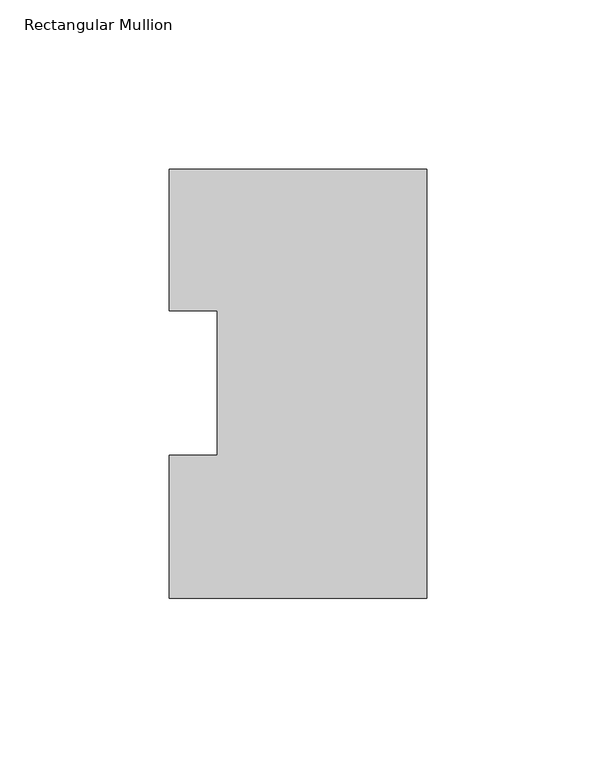
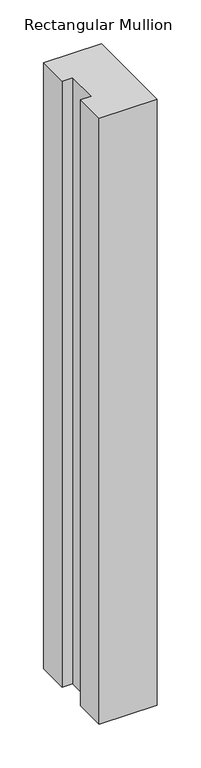
"""IFC4 building model written with IfcOpenShell, lengths in millimetres: member geometry, Rectangular Mullion."""

import ifcopenshell
import ifcopenshell.guid

model = None  # the IFC model being written
_history = None  # IfcOwnerHistory: only IFC2X3 demands one
_inside = {}  # id of a spatial element -> (the spatial element, [elements in it])
_under = {}  # id of a project, library or spatial element -> (it, [spatial elements below it])
_declared = {}  # id of a project -> (the project, [libraries it declares])
_typed = {}  # id of a type object -> (the type object, [elements of that type])
_made_of = {}  # id of a material, layer set ... -> (it, [elements and type objects made of it])


def new_model(schema):
    """Start an empty IFC model of exactly this schema.

    Asked for "IFC4X3", IfcOpenShell would pick the latest addendum, in which some entities
    have other attributes; the version numbers below select the first issue.
    IFC2X3 requires an IfcOwnerHistory on every rooted entity: one is made here for all.
    """
    global model, _history
    if schema == "IFC4X3":
        model = ifcopenshell.file(schema_version=(4, 3, 0, 0))
    else:
        model = ifcopenshell.file(schema=schema)
    _inside.clear()
    _under.clear()
    _declared.clear()
    _typed.clear()
    _made_of.clear()
    _history = None
    if model.schema == "IFC2X3":
        org = make("IfcOrganization", Name="unknown")
        user = make(
            "IfcPersonAndOrganization",
            ThePerson=make("IfcPerson", FamilyName="unknown"),
            TheOrganization=org,
        )
        app = make(
            "IfcApplication",
            ApplicationDeveloper=org,
            Version="unknown",
            ApplicationFullName="unknown",
            ApplicationIdentifier="unknown",
        )
        _history = make(
            "IfcOwnerHistory",
            OwningUser=user,
            OwningApplication=app,
            ChangeAction="ADDED",
            CreationDate=0,
        )
    return model


def make(cls, **values):
    """One entity of the class cls with the attributes given. An attribute that is None is left unset."""
    return model.create_entity(
        cls, **{name: value for name, value in values.items() if value is not None}
    )


def rooted(cls, **values):
    """An entity with a GlobalId (a new one), such as an element, a storey or a relation."""
    return make(cls, GlobalId=ifcopenshell.guid.new(), OwnerHistory=_history, **values)


def si_unit(unit_type, name, prefix=None):
    """IfcSIUnit, for example si_unit("LENGTHUNIT", "METRE", prefix="MILLI")."""
    return make("IfcSIUnit", UnitType=unit_type, Prefix=prefix, Name=name)


def assignment(units):
    """IfcUnitAssignment: the units of a project."""
    return None if units is None else make("IfcUnitAssignment", Units=units)


def point(xyz):
    """IfcCartesianPoint."""
    return None if xyz is None else make("IfcCartesianPoint", Coordinates=xyz)


def direction(xyz):
    """IfcDirection."""
    return None if xyz is None else make("IfcDirection", DirectionRatios=xyz)


def frame(location, z_axis=None, x_axis=None):
    """IfcAxis2Placement3D, a coordinate frame: its origin and axes. An axis left out is left unset."""
    return make(
        "IfcAxis2Placement3D",
        Location=point(location),
        Axis=direction(z_axis),
        RefDirection=direction(x_axis),
    )


def origin():
    """The frame at (0, 0, 0) with its axes left unset."""
    return frame((0.0, 0.0, 0.0))


def place(relative_to, where):
    """IfcLocalPlacement: puts the frame where relative to a parent placement (None: the world)."""
    return make(
        "IfcLocalPlacement", PlacementRelTo=relative_to, RelativePlacement=where
    )


def context(
    kind, dimensions, precision=None, world=None, true_north=None, identifier=None
):
    """IfcGeometricRepresentationContext, for example the 3D "Model" context."""
    return make(
        "IfcGeometricRepresentationContext",
        ContextIdentifier=identifier,
        ContextType=kind,
        CoordinateSpaceDimension=dimensions,
        Precision=precision,
        WorldCoordinateSystem=world,
        TrueNorth=true_north,
    )


def project(units=None, contexts=None):
    """IfcProject with its units and contexts."""
    return rooted(
        "IfcProject",
        Name="project",
        RepresentationContexts=contexts,
        UnitsInContext=assignment(units),
    )


def spatial(cls, under=None, at=None, **own):
    """A site, building, storey or space (cls), placed at a placement, below another one or the project."""
    s = rooted(cls, ObjectPlacement=at, **own)
    if under is not None:
        _under.setdefault(under.id(), (under, []))[1].append(s)
    return s


def polyline(points):
    """IfcPolyline through the points."""
    return make("IfcPolyline", Points=[point(p) for p in points])


def outline(outer, holes=None, kind="AREA"):
    """IfcArbitraryClosedProfileDef: a profile drawn as a closed curve; with holes, ...WithVoids."""
    if holes is None:
        return make("IfcArbitraryClosedProfileDef", ProfileType=kind, OuterCurve=outer)
    return make(
        "IfcArbitraryProfileDefWithVoids",
        ProfileType=kind,
        OuterCurve=outer,
        InnerCurves=holes,
    )


def extrude(swept, where, along, depth):
    """IfcExtrudedAreaSolid: the profile swept, set in the frame where, extruded along a direction by depth."""
    return make(
        "IfcExtrudedAreaSolid",
        SweptArea=swept,
        Position=where,
        ExtrudedDirection=direction(along),
        Depth=depth,
    )


def shape(context_of_items, identifier, shape_type, items):
    """IfcShapeRepresentation: the items that make up one representation, for example the "Body"."""
    return make(
        "IfcShapeRepresentation",
        ContextOfItems=context_of_items,
        RepresentationIdentifier=identifier,
        RepresentationType=shape_type,
        Items=items,
    )


def source(mapping_origin, context_of_items, identifier, shape_type, items):
    """IfcRepresentationMap: a shape defined once, which mapped items show again and again."""
    return make(
        "IfcRepresentationMap",
        MappingOrigin=mapping_origin,
        MappedRepresentation=shape(context_of_items, identifier, shape_type, items),
    )


def transform(
    local_origin,
    x_axis=None,
    y_axis=None,
    z_axis=None,
    scale=None,
    scale2=None,
    scale3=None,
    uniform=True,
):
    """IfcCartesianTransformationOperator3D, or its non-uniform kind. x_axis, y_axis, z_axis: its Axis1, 2, 3."""
    if uniform:
        return make(
            "IfcCartesianTransformationOperator3D",
            Axis1=direction(x_axis),
            Axis2=direction(y_axis),
            LocalOrigin=point(local_origin),
            Scale=scale,
            Axis3=direction(z_axis),
        )
    return make(
        "IfcCartesianTransformationOperator3DnonUniform",
        Axis1=direction(x_axis),
        Axis2=direction(y_axis),
        LocalOrigin=point(local_origin),
        Scale=scale,
        Axis3=direction(z_axis),
        Scale2=scale2,
        Scale3=scale3,
    )


def mapped(mapping_source, mapping_target):
    """IfcMappedItem: shows the shape of a source again, moved by a transform."""
    return make(
        "IfcMappedItem", MappingSource=mapping_source, MappingTarget=mapping_target
    )


def made_of(thing, what):
    """Note that an element or type object is made of a material, layer set ...; save() writes the relation."""
    if what is not None:
        _made_of.setdefault(what.id(), (what, []))[1].append(thing)
    return thing


def element(
    cls,
    number,
    at=None,
    inside=None,
    cuts=None,
    type_object=None,
    material=None,
    context=None,
    identifier="Body",
    shape_type=None,
    held_by="IfcProductDefinitionShape",
    body=None,
    shapes=None,
    **own,
):
    """One element of the class cls, such as IfcWall. Its Tag is "e" and its number.

    at: its placement. inside: the storey or other place that contains it. cuts: it is an
    opening in that element (IfcRelVoidsElement). A single representation is given by context,
    identifier, shape_type and body (its items); several are given by shapes. held_by: the class
    of the entity that holds the representations. save() writes the other relations.
    """
    e = rooted(cls, Tag="e%d" % number, ObjectPlacement=at, **own)
    if body is not None:
        shapes = [shape(context, identifier, shape_type, body)]
    if shapes is not None:
        e.Representation = make(held_by, Representations=shapes)
    if inside is not None:
        _inside.setdefault(inside.id(), (inside, []))[1].append(e)
    if cuts is not None:
        rooted(
            "IfcRelVoidsElement", RelatingBuildingElement=cuts, RelatedOpeningElement=e
        )
    if type_object is not None:
        _typed.setdefault(type_object.id(), (type_object, []))[1].append(e)
    return made_of(e, material)


def aggregate(whole, parts):
    """IfcRelAggregates: a whole, such as a stair, and the parts it consists of."""
    return rooted("IfcRelAggregates", RelatingObject=whole, RelatedObjects=parts)


def save(model, path):
    """Write the relations noted so far, then the file.

    IfcRelAggregates (storeys below a building ...), IfcRelContainedInSpatialStructure (elements
    in a storey), IfcRelDefinesByType, IfcRelAssociatesMaterial and IfcRelDeclares: one each for
    every whole, place, type object, material and project.
    """
    for whole, parts in _under.values():
        aggregate(whole, parts)
    for where, things in _inside.values():
        rooted(
            "IfcRelContainedInSpatialStructure",
            RelatedElements=things,
            RelatingStructure=where,
        )
    for kind, things in _typed.values():
        rooted("IfcRelDefinesByType", RelatedObjects=things, RelatingType=kind)
    for what, things in _made_of.values():
        rooted("IfcRelAssociatesMaterial", RelatedObjects=things, RelatingMaterial=what)
    for by, libraries in _declared.values():
        rooted("IfcRelDeclares", RelatingContext=by, RelatedDefinitions=libraries)
    model.write(path)


def rectangular_mullion_380e1808(model_context):
    return source(origin(), model_context, "Body", "SweptSolid", [
        extrude(outline(polyline([(-76.1994574, 126.9888875), (0.0, 126.9888875), (0.0, -0.0111125), (-76.1994574, -0.0111125), (-76.1994574, 42.2798875), (-61.9139549, 42.2798875), (-61.9139549, 85.1296875), (-76.1994574, 85.1296875), (-76.1994574, 126.9888875)])), frame((0.0, 0.0, -844.5510851), z_axis=(0.0, 0.0, 1.0), x_axis=(1.0, 0.0, 0.0)), (0.0, 0.0, 1.0), 844.5510851),
    ])


if __name__ == "__main__":
    model = new_model("IFC4")
    model_context = context("Model", 3, world=origin())
    ifc_project = project(units=[si_unit("LENGTHUNIT", "METRE", prefix="MILLI")], contexts=[model_context])
    site = spatial("IfcSite", under=ifc_project)
    building = spatial("IfcBuilding", under=site)
    placement = place(None, origin())
    rectangular_mullion_shape = rectangular_mullion_380e1808(model_context)
    element("IfcMember", 1, ObjectType="Rectangular Mullion", at=placement, inside=building, context=model_context, shape_type="MappedRepresentation", body=[
        mapped(rectangular_mullion_shape, transform((0.0, 0.0, 0.0), x_axis=(1.0, 0.0, 0.0), y_axis=(0.0, 1.0, 0.0), z_axis=(0.0, 0.0, 1.0))),
    ])
    save(model, "model.ifc")
